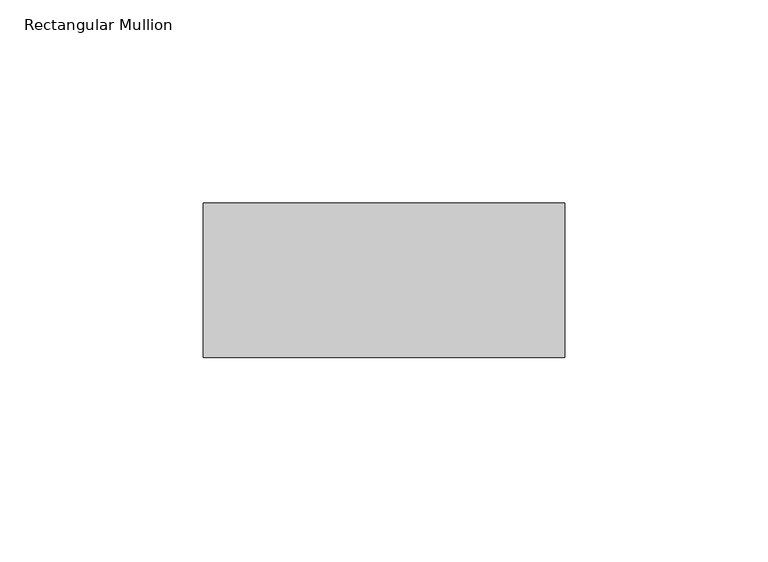
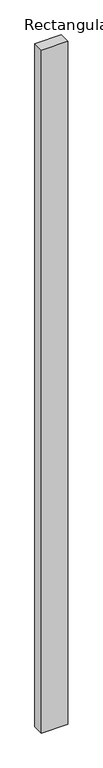
"""IFC4 building model written with IfcOpenShell, lengths in millimetres: member geometry, Rectangular Mullion."""

import ifcopenshell
import ifcopenshell.guid

model = None  # the IFC model being written
_history = None  # IfcOwnerHistory: only IFC2X3 demands one
_inside = {}  # id of a spatial element -> (the spatial element, [elements in it])
_under = {}  # id of a project, library or spatial element -> (it, [spatial elements below it])
_declared = {}  # id of a project -> (the project, [libraries it declares])
_typed = {}  # id of a type object -> (the type object, [elements of that type])
_made_of = {}  # id of a material, layer set ... -> (it, [elements and type objects made of it])


def new_model(schema):
    """Start an empty IFC model of exactly this schema.

    Asked for "IFC4X3", IfcOpenShell would pick the latest addendum, in which some entities
    have other attributes; the version numbers below select the first issue.
    IFC2X3 requires an IfcOwnerHistory on every rooted entity: one is made here for all.
    """
    global model, _history
    if schema == "IFC4X3":
        model = ifcopenshell.file(schema_version=(4, 3, 0, 0))
    else:
        model = ifcopenshell.file(schema=schema)
    _inside.clear()
    _under.clear()
    _declared.clear()
    _typed.clear()
    _made_of.clear()
    _history = None
    if model.schema == "IFC2X3":
        org = make("IfcOrganization", Name="unknown")
        user = make(
            "IfcPersonAndOrganization",
            ThePerson=make("IfcPerson", FamilyName="unknown"),
            TheOrganization=org,
        )
        app = make(
            "IfcApplication",
            ApplicationDeveloper=org,
            Version="unknown",
            ApplicationFullName="unknown",
            ApplicationIdentifier="unknown",
        )
        _history = make(
            "IfcOwnerHistory",
            OwningUser=user,
            OwningApplication=app,
            ChangeAction="ADDED",
            CreationDate=0,
        )
    return model


def make(cls, **values):
    """One entity of the class cls with the attributes given. An attribute that is None is left unset."""
    return model.create_entity(
        cls, **{name: value for name, value in values.items() if value is not None}
    )


def rooted(cls, **values):
    """An entity with a GlobalId (a new one), such as an element, a storey or a relation."""
    return make(cls, GlobalId=ifcopenshell.guid.new(), OwnerHistory=_history, **values)


def si_unit(unit_type, name, prefix=None):
    """IfcSIUnit, for example si_unit("LENGTHUNIT", "METRE", prefix="MILLI")."""
    return make("IfcSIUnit", UnitType=unit_type, Prefix=prefix, Name=name)


def assignment(units):
    """IfcUnitAssignment: the units of a project."""
    return None if units is None else make("IfcUnitAssignment", Units=units)


def point(xyz):
    """IfcCartesianPoint."""
    return None if xyz is None else make("IfcCartesianPoint", Coordinates=xyz)


def direction(xyz):
    """IfcDirection."""
    return None if xyz is None else make("IfcDirection", DirectionRatios=xyz)


def frame(location, z_axis=None, x_axis=None):
    """IfcAxis2Placement3D, a coordinate frame: its origin and axes. An axis left out is left unset."""
    return make(
        "IfcAxis2Placement3D",
        Location=point(location),
        Axis=direction(z_axis),
        RefDirection=direction(x_axis),
    )


def origin():
    """The frame at (0, 0, 0) with its axes left unset."""
    return frame((0.0, 0.0, 0.0))


def place(relative_to, where):
    """IfcLocalPlacement: puts the frame where relative to a parent placement (None: the world)."""
    return make(
        "IfcLocalPlacement", PlacementRelTo=relative_to, RelativePlacement=where
    )


def context(
    kind, dimensions, precision=None, world=None, true_north=None, identifier=None
):
    """IfcGeometricRepresentationContext, for example the 3D "Model" context."""
    return make(
        "IfcGeometricRepresentationContext",
        ContextIdentifier=identifier,
        ContextType=kind,
        CoordinateSpaceDimension=dimensions,
        Precision=precision,
        WorldCoordinateSystem=world,
        TrueNorth=true_north,
    )


def project(units=None, contexts=None):
    """IfcProject with its units and contexts."""
    return rooted(
        "IfcProject",
        Name="project",
        RepresentationContexts=contexts,
        UnitsInContext=assignment(units),
    )


def spatial(cls, under=None, at=None, **own):
    """A site, building, storey or space (cls), placed at a placement, below another one or the project."""
    s = rooted(cls, ObjectPlacement=at, **own)
    if under is not None:
        _under.setdefault(under.id(), (under, []))[1].append(s)
    return s


def polyline(points):
    """IfcPolyline through the points."""
    return make("IfcPolyline", Points=[point(p) for p in points])


def outline(outer, holes=None, kind="AREA"):
    """IfcArbitraryClosedProfileDef: a profile drawn as a closed curve; with holes, ...WithVoids."""
    if holes is None:
        return make("IfcArbitraryClosedProfileDef", ProfileType=kind, OuterCurve=outer)
    return make(
        "IfcArbitraryProfileDefWithVoids",
        ProfileType=kind,
        OuterCurve=outer,
        InnerCurves=holes,
    )


def extrude(swept, where, along, depth):
    """IfcExtrudedAreaSolid: the profile swept, set in the frame where, extruded along a direction by depth."""
    return make(
        "IfcExtrudedAreaSolid",
        SweptArea=swept,
        Position=where,
        ExtrudedDirection=direction(along),
        Depth=depth,
    )


def shape(context_of_items, identifier, shape_type, items):
    """IfcShapeRepresentation: the items that make up one representation, for example the "Body"."""
    return make(
        "IfcShapeRepresentation",
        ContextOfItems=context_of_items,
        RepresentationIdentifier=identifier,
        RepresentationType=shape_type,
        Items=items,
    )


def source(mapping_origin, context_of_items, identifier, shape_type, items):
    """IfcRepresentationMap: a shape defined once, which mapped items show again and again."""
    return make(
        "IfcRepresentationMap",
        MappingOrigin=mapping_origin,
        MappedRepresentation=shape(context_of_items, identifier, shape_type, items),
    )


def transform(
    local_origin,
    x_axis=None,
    y_axis=None,
    z_axis=None,
    scale=None,
    scale2=None,
    scale3=None,
    uniform=True,
):
    """IfcCartesianTransformationOperator3D, or its non-uniform kind. x_axis, y_axis, z_axis: its Axis1, 2, 3."""
    if uniform:
        return make(
            "IfcCartesianTransformationOperator3D",
            Axis1=direction(x_axis),
            Axis2=direction(y_axis),
            LocalOrigin=point(local_origin),
            Scale=scale,
            Axis3=direction(z_axis),
        )
    return make(
        "IfcCartesianTransformationOperator3DnonUniform",
        Axis1=direction(x_axis),
        Axis2=direction(y_axis),
        LocalOrigin=point(local_origin),
        Scale=scale,
        Axis3=direction(z_axis),
        Scale2=scale2,
        Scale3=scale3,
    )


def mapped(mapping_source, mapping_target):
    """IfcMappedItem: shows the shape of a source again, moved by a transform."""
    return make(
        "IfcMappedItem", MappingSource=mapping_source, MappingTarget=mapping_target
    )


def made_of(thing, what):
    """Note that an element or type object is made of a material, layer set ...; save() writes the relation."""
    if what is not None:
        _made_of.setdefault(what.id(), (what, []))[1].append(thing)
    return thing


def element(
    cls,
    number,
    at=None,
    inside=None,
    cuts=None,
    type_object=None,
    material=None,
    context=None,
    identifier="Body",
    shape_type=None,
    held_by="IfcProductDefinitionShape",
    body=None,
    shapes=None,
    **own,
):
    """One element of the class cls, such as IfcWall. Its Tag is "e" and its number.

    at: its placement. inside: the storey or other place that contains it. cuts: it is an
    opening in that element (IfcRelVoidsElement). A single representation is given by context,
    identifier, shape_type and body (its items); several are given by shapes. held_by: the class
    of the entity that holds the representations. save() writes the other relations.
    """
    e = rooted(cls, Tag="e%d" % number, ObjectPlacement=at, **own)
    if body is not None:
        shapes = [shape(context, identifier, shape_type, body)]
    if shapes is not None:
        e.Representation = make(held_by, Representations=shapes)
    if inside is not None:
        _inside.setdefault(inside.id(), (inside, []))[1].append(e)
    if cuts is not None:
        rooted(
            "IfcRelVoidsElement", RelatingBuildingElement=cuts, RelatedOpeningElement=e
        )
    if type_object is not None:
        _typed.setdefault(type_object.id(), (type_object, []))[1].append(e)
    return made_of(e, material)


def aggregate(whole, parts):
    """IfcRelAggregates: a whole, such as a stair, and the parts it consists of."""
    return rooted("IfcRelAggregates", RelatingObject=whole, RelatedObjects=parts)


def save(model, path):
    """Write the relations noted so far, then the file.

    IfcRelAggregates (storeys below a building ...), IfcRelContainedInSpatialStructure (elements
    in a storey), IfcRelDefinesByType, IfcRelAssociatesMaterial and IfcRelDeclares: one each for
    every whole, place, type object, material and project.
    """
    for whole, parts in _under.values():
        aggregate(whole, parts)
    for where, things in _inside.values():
        rooted(
            "IfcRelContainedInSpatialStructure",
            RelatedElements=things,
            RelatingStructure=where,
        )
    for kind, things in _typed.values():
        rooted("IfcRelDefinesByType", RelatedObjects=things, RelatingType=kind)
    for what, things in _made_of.values():
        rooted("IfcRelAssociatesMaterial", RelatedObjects=things, RelatingMaterial=what)
    for by, libraries in _declared.values():
        rooted("IfcRelDeclares", RelatingContext=by, RelatedDefinitions=libraries)
    model.write(path)


def rectangular_mullion_741bb8a8(model_context):
    return source(origin(), model_context, "Body", "SweptSolid", [
        extrude(outline(polyline([(0.0, 118.0), (0.0, 80.0), (-89.0, 80.0), (-89.0, 118.0), (0.0, 118.0)])), frame((0.0, 0.0, -2440.0), z_axis=(0.0, 0.0, 1.0), x_axis=(1.0, 0.0, 0.0)), (0.0, 0.0, 1.0), 2440.0),
    ])


if __name__ == "__main__":
    model = new_model("IFC4")
    model_context = context("Model", 3, world=origin())
    ifc_project = project(units=[si_unit("LENGTHUNIT", "METRE", prefix="MILLI")], contexts=[model_context])
    site = spatial("IfcSite", under=ifc_project)
    building = spatial("IfcBuilding", under=site)
    placement = place(None, origin())
    rectangular_mullion_shape = rectangular_mullion_741bb8a8(model_context)
    element("IfcMember", 1, ObjectType="Rectangular Mullion", at=placement, inside=building, context=model_context, shape_type="MappedRepresentation", body=[
        mapped(rectangular_mullion_shape, transform((0.0, 0.0, 0.0), x_axis=(1.0, 0.0, 0.0), y_axis=(0.0, 1.0, 0.0), z_axis=(0.0, 0.0, 1.0))),
    ])
    save(model, "model.ifc")
